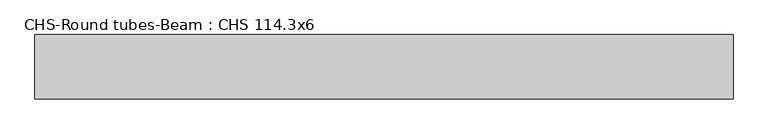
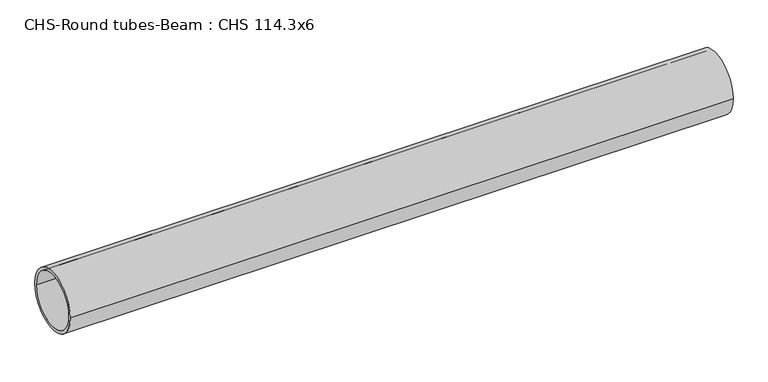
"""IFC4 building model written with IfcOpenShell, lengths in millimetres: beam geometry, CHS-Round tubes-Beam : CHS 114.3x6."""

import ifcopenshell
import ifcopenshell.guid

model = None  # the IFC model being written
_history = None  # IfcOwnerHistory: only IFC2X3 demands one
_inside = {}  # id of a spatial element -> (the spatial element, [elements in it])
_under = {}  # id of a project, library or spatial element -> (it, [spatial elements below it])
_declared = {}  # id of a project -> (the project, [libraries it declares])
_typed = {}  # id of a type object -> (the type object, [elements of that type])
_made_of = {}  # id of a material, layer set ... -> (it, [elements and type objects made of it])


def new_model(schema):
    """Start an empty IFC model of exactly this schema.

    Asked for "IFC4X3", IfcOpenShell would pick the latest addendum, in which some entities
    have other attributes; the version numbers below select the first issue.
    IFC2X3 requires an IfcOwnerHistory on every rooted entity: one is made here for all.
    """
    global model, _history
    if schema == "IFC4X3":
        model = ifcopenshell.file(schema_version=(4, 3, 0, 0))
    else:
        model = ifcopenshell.file(schema=schema)
    _inside.clear()
    _under.clear()
    _declared.clear()
    _typed.clear()
    _made_of.clear()
    _history = None
    if model.schema == "IFC2X3":
        org = make("IfcOrganization", Name="unknown")
        user = make(
            "IfcPersonAndOrganization",
            ThePerson=make("IfcPerson", FamilyName="unknown"),
            TheOrganization=org,
        )
        app = make(
            "IfcApplication",
            ApplicationDeveloper=org,
            Version="unknown",
            ApplicationFullName="unknown",
            ApplicationIdentifier="unknown",
        )
        _history = make(
            "IfcOwnerHistory",
            OwningUser=user,
            OwningApplication=app,
            ChangeAction="ADDED",
            CreationDate=0,
        )
    return model


def make(cls, **values):
    """One entity of the class cls with the attributes given. An attribute that is None is left unset."""
    return model.create_entity(
        cls, **{name: value for name, value in values.items() if value is not None}
    )


def rooted(cls, **values):
    """An entity with a GlobalId (a new one), such as an element, a storey or a relation."""
    return make(cls, GlobalId=ifcopenshell.guid.new(), OwnerHistory=_history, **values)


def si_unit(unit_type, name, prefix=None):
    """IfcSIUnit, for example si_unit("LENGTHUNIT", "METRE", prefix="MILLI")."""
    return make("IfcSIUnit", UnitType=unit_type, Prefix=prefix, Name=name)


def assignment(units):
    """IfcUnitAssignment: the units of a project."""
    return None if units is None else make("IfcUnitAssignment", Units=units)


def point(xyz):
    """IfcCartesianPoint."""
    return None if xyz is None else make("IfcCartesianPoint", Coordinates=xyz)


def direction(xyz):
    """IfcDirection."""
    return None if xyz is None else make("IfcDirection", DirectionRatios=xyz)


def frame(location, z_axis=None, x_axis=None):
    """IfcAxis2Placement3D, a coordinate frame: its origin and axes. An axis left out is left unset."""
    return make(
        "IfcAxis2Placement3D",
        Location=point(location),
        Axis=direction(z_axis),
        RefDirection=direction(x_axis),
    )


def frame_2d(location, x_axis=None):
    """IfcAxis2Placement2D, a coordinate frame in the plane: its origin and x axis."""
    return make(
        "IfcAxis2Placement2D", Location=point(location), RefDirection=direction(x_axis)
    )


def origin():
    """The frame at (0, 0, 0) with its axes left unset."""
    return frame((0.0, 0.0, 0.0))


def origin_2d():
    """The frame at (0, 0) in the plane with its x axis left unset."""
    return frame_2d((0.0, 0.0))


def place(relative_to, where):
    """IfcLocalPlacement: puts the frame where relative to a parent placement (None: the world)."""
    return make(
        "IfcLocalPlacement", PlacementRelTo=relative_to, RelativePlacement=where
    )


def context(
    kind, dimensions, precision=None, world=None, true_north=None, identifier=None
):
    """IfcGeometricRepresentationContext, for example the 3D "Model" context."""
    return make(
        "IfcGeometricRepresentationContext",
        ContextIdentifier=identifier,
        ContextType=kind,
        CoordinateSpaceDimension=dimensions,
        Precision=precision,
        WorldCoordinateSystem=world,
        TrueNorth=true_north,
    )


def project(units=None, contexts=None):
    """IfcProject with its units and contexts."""
    return rooted(
        "IfcProject",
        Name="project",
        RepresentationContexts=contexts,
        UnitsInContext=assignment(units),
    )


def spatial(cls, under=None, at=None, **own):
    """A site, building, storey or space (cls), placed at a placement, below another one or the project."""
    s = rooted(cls, ObjectPlacement=at, **own)
    if under is not None:
        _under.setdefault(under.id(), (under, []))[1].append(s)
    return s


def circle_curve(where, radius):
    """IfcCircle in the frame where."""
    return make("IfcCircle", Position=where, Radius=radius)


def trimmed(basis, trim1, trim2, sense, master):
    """IfcTrimmedCurve: the piece of a basis curve between two trims."""
    return make(
        "IfcTrimmedCurve",
        BasisCurve=basis,
        Trim1=trim1,
        Trim2=trim2,
        SenseAgreement=sense,
        MasterRepresentation=master,
    )


def segment(curve, same_sense, transition):
    """IfcCompositeCurveSegment."""
    return make(
        "IfcCompositeCurveSegment",
        Transition=transition,
        SameSense=same_sense,
        ParentCurve=curve,
    )


def composite_curve(segments, self_intersect=None):
    """IfcCompositeCurve: segments joined end to end."""
    return make("IfcCompositeCurve", Segments=segments, SelfIntersect=self_intersect)


def outline(outer, holes=None, kind="AREA"):
    """IfcArbitraryClosedProfileDef: a profile drawn as a closed curve; with holes, ...WithVoids."""
    if holes is None:
        return make("IfcArbitraryClosedProfileDef", ProfileType=kind, OuterCurve=outer)
    return make(
        "IfcArbitraryProfileDefWithVoids",
        ProfileType=kind,
        OuterCurve=outer,
        InnerCurves=holes,
    )


def extrude(swept, where, along, depth):
    """IfcExtrudedAreaSolid: the profile swept, set in the frame where, extruded along a direction by depth."""
    return make(
        "IfcExtrudedAreaSolid",
        SweptArea=swept,
        Position=where,
        ExtrudedDirection=direction(along),
        Depth=depth,
    )


def shape(context_of_items, identifier, shape_type, items):
    """IfcShapeRepresentation: the items that make up one representation, for example the "Body"."""
    return make(
        "IfcShapeRepresentation",
        ContextOfItems=context_of_items,
        RepresentationIdentifier=identifier,
        RepresentationType=shape_type,
        Items=items,
    )


def source(mapping_origin, context_of_items, identifier, shape_type, items):
    """IfcRepresentationMap: a shape defined once, which mapped items show again and again."""
    return make(
        "IfcRepresentationMap",
        MappingOrigin=mapping_origin,
        MappedRepresentation=shape(context_of_items, identifier, shape_type, items),
    )


def transform(
    local_origin,
    x_axis=None,
    y_axis=None,
    z_axis=None,
    scale=None,
    scale2=None,
    scale3=None,
    uniform=True,
):
    """IfcCartesianTransformationOperator3D, or its non-uniform kind. x_axis, y_axis, z_axis: its Axis1, 2, 3."""
    if uniform:
        return make(
            "IfcCartesianTransformationOperator3D",
            Axis1=direction(x_axis),
            Axis2=direction(y_axis),
            LocalOrigin=point(local_origin),
            Scale=scale,
            Axis3=direction(z_axis),
        )
    return make(
        "IfcCartesianTransformationOperator3DnonUniform",
        Axis1=direction(x_axis),
        Axis2=direction(y_axis),
        LocalOrigin=point(local_origin),
        Scale=scale,
        Axis3=direction(z_axis),
        Scale2=scale2,
        Scale3=scale3,
    )


def mapped(mapping_source, mapping_target):
    """IfcMappedItem: shows the shape of a source again, moved by a transform."""
    return make(
        "IfcMappedItem", MappingSource=mapping_source, MappingTarget=mapping_target
    )


def made_of(thing, what):
    """Note that an element or type object is made of a material, layer set ...; save() writes the relation."""
    if what is not None:
        _made_of.setdefault(what.id(), (what, []))[1].append(thing)
    return thing


def element(
    cls,
    number,
    at=None,
    inside=None,
    cuts=None,
    type_object=None,
    material=None,
    context=None,
    identifier="Body",
    shape_type=None,
    held_by="IfcProductDefinitionShape",
    body=None,
    shapes=None,
    **own,
):
    """One element of the class cls, such as IfcWall. Its Tag is "e" and its number.

    at: its placement. inside: the storey or other place that contains it. cuts: it is an
    opening in that element (IfcRelVoidsElement). A single representation is given by context,
    identifier, shape_type and body (its items); several are given by shapes. held_by: the class
    of the entity that holds the representations. save() writes the other relations.
    """
    e = rooted(cls, Tag="e%d" % number, ObjectPlacement=at, **own)
    if body is not None:
        shapes = [shape(context, identifier, shape_type, body)]
    if shapes is not None:
        e.Representation = make(held_by, Representations=shapes)
    if inside is not None:
        _inside.setdefault(inside.id(), (inside, []))[1].append(e)
    if cuts is not None:
        rooted(
            "IfcRelVoidsElement", RelatingBuildingElement=cuts, RelatedOpeningElement=e
        )
    if type_object is not None:
        _typed.setdefault(type_object.id(), (type_object, []))[1].append(e)
    return made_of(e, material)


def aggregate(whole, parts):
    """IfcRelAggregates: a whole, such as a stair, and the parts it consists of."""
    return rooted("IfcRelAggregates", RelatingObject=whole, RelatedObjects=parts)


def save(model, path):
    """Write the relations noted so far, then the file.

    IfcRelAggregates (storeys below a building ...), IfcRelContainedInSpatialStructure (elements
    in a storey), IfcRelDefinesByType, IfcRelAssociatesMaterial and IfcRelDeclares: one each for
    every whole, place, type object, material and project.
    """
    for whole, parts in _under.values():
        aggregate(whole, parts)
    for where, things in _inside.values():
        rooted(
            "IfcRelContainedInSpatialStructure",
            RelatedElements=things,
            RelatingStructure=where,
        )
    for kind, things in _typed.values():
        rooted("IfcRelDefinesByType", RelatedObjects=things, RelatingType=kind)
    for what, things in _made_of.values():
        rooted("IfcRelAssociatesMaterial", RelatedObjects=things, RelatingMaterial=what)
    for by, libraries in _declared.values():
        rooted("IfcRelDeclares", RelatingContext=by, RelatedDefinitions=libraries)
    model.write(path)


def chs_round_tubes_beam_chs_114_3x6_84e41134(model_context):
    return source(origin(), model_context, "Body", "SweptSolid", [
        extrude(outline(composite_curve([segment(trimmed(circle_curve(origin_2d(), 57.15), [point((57.15, 0.0))], [point((-57.15, 0.0))], False, "CARTESIAN"), True, "CONTINUOUS"), segment(trimmed(circle_curve(origin_2d(), 57.15), [point((-57.15, 0.0))], [point((57.15, 0.0))], False, "CARTESIAN"), True, "CONTINUOUS")], self_intersect=False), holes=[composite_curve([segment(trimmed(circle_curve(origin_2d(), 51.15), [point((51.15, 0.0))], [point((-51.15, 0.0))], True, "CARTESIAN"), True, "CONTINUOUS"), segment(trimmed(circle_curve(origin_2d(), 51.15), [point((-51.15, 0.0))], [point((51.15, 0.0))], True, "CARTESIAN"), True, "CONTINUOUS")], self_intersect=False)]), frame((-624.633192, 0.0, 0.0), z_axis=(1.0, 0.0, 0.0), x_axis=(0.0, 1.0, 0.0)), (0.0, 0.0, 1.0), 1238.7607335),
    ])


if __name__ == "__main__":
    model = new_model("IFC4")
    model_context = context("Model", 3, world=origin())
    ifc_project = project(units=[si_unit("LENGTHUNIT", "METRE", prefix="MILLI")], contexts=[model_context])
    site = spatial("IfcSite", under=ifc_project)
    building = spatial("IfcBuilding", under=site)
    placement = place(None, origin())
    chs_round_tubes_beam_chs_114_3x6_shape = chs_round_tubes_beam_chs_114_3x6_84e41134(model_context)
    element("IfcBeam", 1, ObjectType="CHS-Round tubes-Beam : CHS 114.3x6", at=placement, inside=building, context=model_context, shape_type="MappedRepresentation", body=[
        mapped(chs_round_tubes_beam_chs_114_3x6_shape, transform((0.0, 0.0, 0.0), x_axis=(1.0, 0.0, 0.0), y_axis=(0.0, 1.0, 0.0), z_axis=(0.0, 0.0, 1.0))),
    ])
    save(model, "model.ifc")
